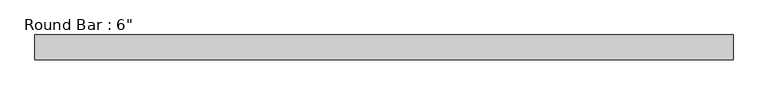
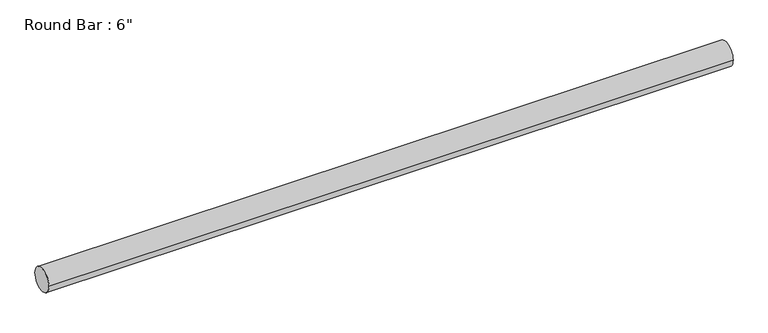
"""IFC4 building model written with IfcOpenShell, lengths in millimetres: beam geometry."""

from ifc_helpers import new_model, si_unit, point, frame, origin, origin_2d, place, context, project, spatial, circle_curve, trimmed, segment, composite_curve, outline, extrude, source, transform, mapped, element, save


def beam_05df936b(model_context):
    return source(origin(), model_context, "Body", "SweptSolid", [
        extrude(outline(composite_curve([segment(trimmed(circle_curve(origin_2d(), 76.2), [point((76.2, 0.0))], [point((-76.2, 0.0))], False, "CARTESIAN"), True, "CONTINUOUS"), segment(trimmed(circle_curve(origin_2d(), 76.2), [point((-76.2, 0.0))], [point((76.2, 0.0))], False, "CARTESIAN"), True, "CONTINUOUS")], self_intersect=False)), frame((-2146.6968363, 0.0, 0.0), z_axis=(1.0, 0.0, 0.0), x_axis=(0.0, 1.0, 0.0)), (0.0, 0.0, 1.0), 4293.3936725),
    ])


if __name__ == "__main__":
    model = new_model("IFC4")
    model_context = context("Model", 3, world=origin())
    ifc_project = project(units=[si_unit("LENGTHUNIT", "METRE", prefix="MILLI")], contexts=[model_context])
    site = spatial("IfcSite", under=ifc_project)
    building = spatial("IfcBuilding", under=site)
    placement = place(None, origin())
    beam_shape = beam_05df936b(model_context)
    element("IfcBeam", 1, ObjectType="Round Bar : 6\"", at=placement, inside=building, context=model_context, shape_type="MappedRepresentation", body=[
        mapped(beam_shape, transform((0.0, 0.0, 0.0), x_axis=(1.0, 0.0, 0.0), y_axis=(0.0, 1.0, 0.0), z_axis=(0.0, 0.0, 1.0))),
    ])
    save(model, "model.ifc")
